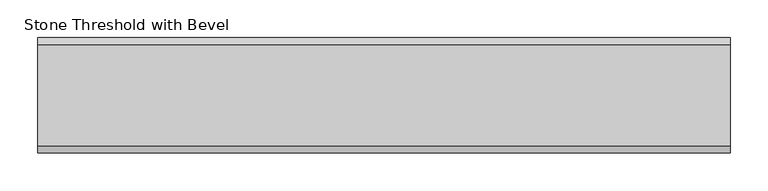
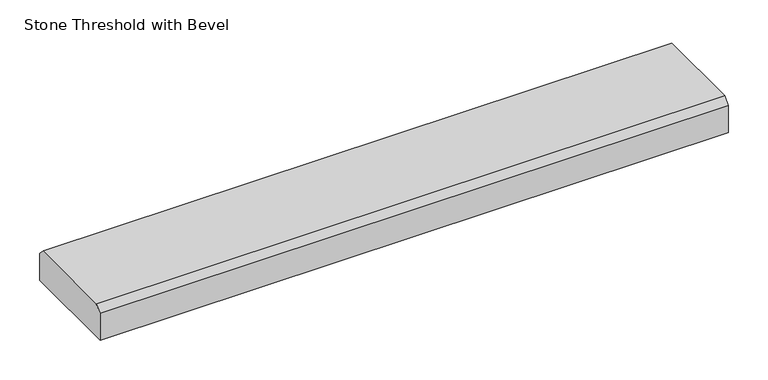
"""IFC4 building model written with IfcOpenShell, lengths in millimetres: proxy geometry, Stone Threshold with Bevel."""

from ifc_helpers import new_model, si_unit, frame, origin, place, context, project, spatial, polyline, outline, extrude, source, transform, mapped, element, save


def stone_threshold_with_bevel_40ff9c36(model_context):
    return source(origin(), model_context, "Body", "SweptSolid", [
        extrude(outline(polyline([(0.0, 0.0), (0.0, 41.275), (9.525, 50.8), (142.875, 50.8), (152.4, 41.275), (152.4, 0.0), (0.0, 0.0)])), frame((-457.2, 0.0, 0.0), z_axis=(1.0, 0.0, 0.0), x_axis=(0.0, 1.0, 0.0)), (0.0, 0.0, 1.0), 914.4),
    ])


if __name__ == "__main__":
    model = new_model("IFC4")
    model_context = context("Model", 3, world=origin())
    ifc_project = project(units=[si_unit("LENGTHUNIT", "METRE", prefix="MILLI")], contexts=[model_context])
    site = spatial("IfcSite", under=ifc_project)
    building = spatial("IfcBuilding", under=site)
    placement = place(None, origin())
    stone_threshold_with_bevel_shape = stone_threshold_with_bevel_40ff9c36(model_context)
    element("IfcBuildingElementProxy", 1, Name="Stone Threshold with Bevel", ObjectType="Stone Threshold with Bevel", at=placement, inside=building, context=model_context, shape_type="MappedRepresentation", body=[
        mapped(stone_threshold_with_bevel_shape, transform((0.0, 0.0, 0.0), x_axis=(1.0, 0.0, 0.0), y_axis=(0.0, 1.0, 0.0), z_axis=(0.0, 0.0, 1.0))),
    ])
    save(model, "model.ifc")
